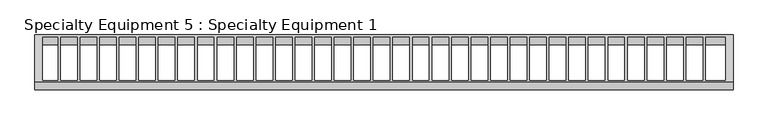
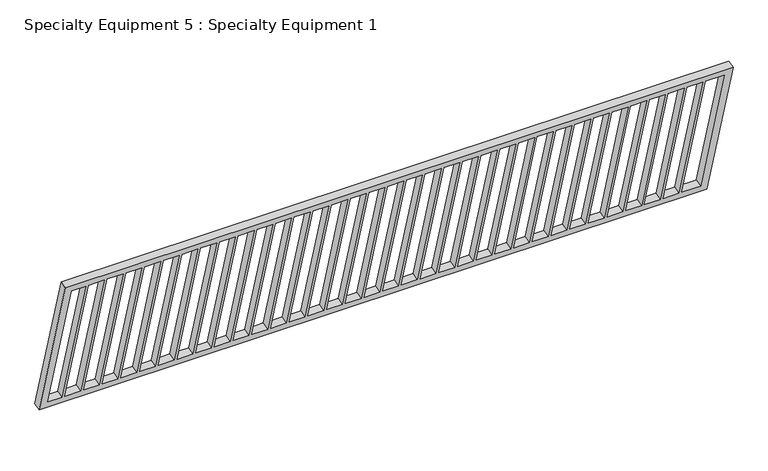
"""IFC4 building model written with IfcOpenShell, lengths in millimetres: proxy geometry, Specialty Equipment 5 : Specialty Equipment 1."""

from ifc_helpers import new_model, si_unit, frame, origin, place, context, project, spatial, polyline, outline, extrude, source, transform, mapped, element, save


def specialty_equipment_5_specialty_equipment_1_8ce55b96(model_context):
    return source(origin(), model_context, "Body", "SweptSolid", [
        extrude(outline(polyline([(1100.0, 0.0), (1100.0, -4500.0), (0.0, -4500.0), (0.0, 0.0), (1100.0, 0.0)]), holes=[polyline([(1050.0, -50.0), (50.0, -50.0), (50.0, -176.0), (1050.0, -176.0), (1050.0, -50.0)]), polyline([(50.0, -4450.0), (1050.0, -4450.0), (1050.0, -4354.0), (50.0, -4354.0), (50.0, -4450.0)]), polyline([(1050.0, -196.0), (50.0, -196.0), (50.0, -302.0), (1050.0, -302.0), (1050.0, -196.0)]), polyline([(1050.0, -322.0), (50.0, -322.0), (50.0, -428.0), (1050.0, -428.0), (1050.0, -322.0)]), polyline([(1050.0, -448.0), (50.0, -448.0), (50.0, -554.0), (1050.0, -554.0), (1050.0, -448.0)]), polyline([(1050.0, -574.0), (50.0, -574.0), (50.0, -680.0), (1050.0, -680.0), (1050.0, -574.0)]), polyline([(1050.0, -700.0), (50.0, -700.0), (50.0, -806.0), (1050.0, -806.0), (1050.0, -700.0)]), polyline([(1050.0, -826.0), (50.0, -826.0), (50.0, -932.0), (1050.0, -932.0), (1050.0, -826.0)]), polyline([(1050.0, -952.0), (50.0, -952.0), (50.0, -1058.0), (1050.0, -1058.0), (1050.0, -952.0)]), polyline([(1050.0, -1078.0), (50.0, -1078.0), (50.0, -1184.0), (1050.0, -1184.0), (1050.0, -1078.0)]), polyline([(1050.0, -1204.0), (50.0, -1204.0), (50.0, -1310.0), (1050.0, -1310.0), (1050.0, -1204.0)]), polyline([(1050.0, -1330.0), (50.0, -1330.0), (50.0, -1436.0), (1050.0, -1436.0), (1050.0, -1330.0)]), polyline([(1050.0, -1456.0), (50.0, -1456.0), (50.0, -1562.0), (1050.0, -1562.0), (1050.0, -1456.0)]), polyline([(1050.0, -1582.0), (50.0, -1582.0), (50.0, -1688.0), (1050.0, -1688.0), (1050.0, -1582.0)]), polyline([(1050.0, -1708.0), (50.0, -1708.0), (50.0, -1814.0), (1050.0, -1814.0), (1050.0, -1708.0)]), polyline([(1050.0, -1834.0), (50.0, -1834.0), (50.0, -1940.0), (1050.0, -1940.0), (1050.0, -1834.0)]), polyline([(1050.0, -1960.0), (50.0, -1960.0), (50.0, -2066.0), (1050.0, -2066.0), (1050.0, -1960.0)]), polyline([(1050.0, -2086.0), (50.0, -2086.0), (50.0, -2192.0), (1050.0, -2192.0), (1050.0, -2086.0)]), polyline([(1050.0, -2212.0), (50.0, -2212.0), (50.0, -2318.0), (1050.0, -2318.0), (1050.0, -2212.0)]), polyline([(1050.0, -2338.0), (50.0, -2338.0), (50.0, -2444.0), (1050.0, -2444.0), (1050.0, -2338.0)]), polyline([(1050.0, -2464.0), (50.0, -2464.0), (50.0, -2570.0), (1050.0, -2570.0), (1050.0, -2464.0)]), polyline([(1050.0, -2590.0), (50.0, -2590.0), (50.0, -2696.0), (1050.0, -2696.0), (1050.0, -2590.0)]), polyline([(1050.0, -2716.0), (50.0, -2716.0), (50.0, -2822.0), (1050.0, -2822.0), (1050.0, -2716.0)]), polyline([(1050.0, -2842.0), (50.0, -2842.0), (50.0, -2948.0), (1050.0, -2948.0), (1050.0, -2842.0)]), polyline([(1050.0, -2968.0), (50.0, -2968.0), (50.0, -3074.0), (1050.0, -3074.0), (1050.0, -2968.0)]), polyline([(1050.0, -3094.0), (50.0, -3094.0), (50.0, -3200.0), (1050.0, -3200.0), (1050.0, -3094.0)]), polyline([(1050.0, -3220.0), (50.0, -3220.0), (50.0, -3326.0), (1050.0, -3326.0), (1050.0, -3220.0)]), polyline([(1050.0, -3346.0), (50.0, -3346.0), (50.0, -3452.0), (1050.0, -3452.0), (1050.0, -3346.0)]), polyline([(1050.0, -3472.0), (50.0, -3472.0), (50.0, -3578.0), (1050.0, -3578.0), (1050.0, -3472.0)]), polyline([(1050.0, -3598.0), (50.0, -3598.0), (50.0, -3704.0), (1050.0, -3704.0), (1050.0, -3598.0)]), polyline([(1050.0, -3724.0), (50.0, -3724.0), (50.0, -3830.0), (1050.0, -3830.0), (1050.0, -3724.0)]), polyline([(1050.0, -3850.0), (50.0, -3850.0), (50.0, -3956.0), (1050.0, -3956.0), (1050.0, -3850.0)]), polyline([(1050.0, -3976.0), (50.0, -3976.0), (50.0, -4082.0), (1050.0, -4082.0), (1050.0, -3976.0)]), polyline([(1050.0, -4102.0), (50.0, -4102.0), (50.0, -4208.0), (1050.0, -4208.0), (1050.0, -4102.0)]), polyline([(1050.0, -4228.0), (50.0, -4228.0), (50.0, -4334.0), (1050.0, -4334.0), (1050.0, -4228.0)])]), frame((-6580.357168, 10735.1645889, 2900.0), z_axis=(0.0, 0.9603423641844279, 0.2788234989247926), x_axis=(0.0, -0.2788234989247926, 0.9603423641844279)), (0.0, 0.0, 1.0), 50.0),
    ])


if __name__ == "__main__":
    model = new_model("IFC4")
    model_context = context("Model", 3, world=origin())
    ifc_project = project(units=[si_unit("LENGTHUNIT", "METRE", prefix="MILLI")], contexts=[model_context])
    site = spatial("IfcSite", under=ifc_project)
    building = spatial("IfcBuilding", under=site)
    placement = place(None, origin())
    specialty_equipment_5_specialty_equipment_1_shape = specialty_equipment_5_specialty_equipment_1_8ce55b96(model_context)
    element("IfcBuildingElementProxy", 1, Name="Specialty Equipment 5 : Specialty Equipment 1", ObjectType="Specialty Equipment 5 : Specialty Equipment 1", at=placement, inside=building, context=model_context, shape_type="MappedRepresentation", body=[
        mapped(specialty_equipment_5_specialty_equipment_1_shape, transform((0.0, 0.0, 0.0), x_axis=(1.0, 0.0, 0.0), y_axis=(0.0, 1.0, 0.0), z_axis=(0.0, 0.0, 1.0))),
    ])
    save(model, "model.ifc")
